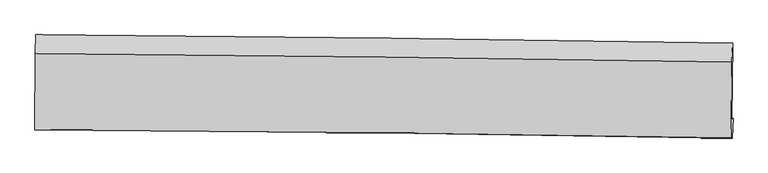
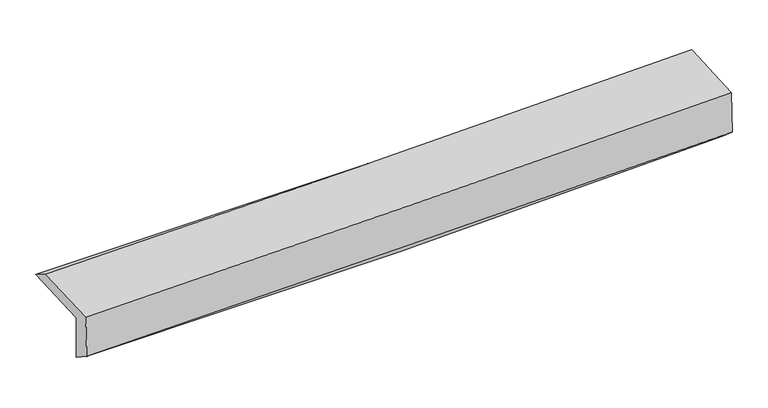
"""IFC4 building model written with IfcOpenShell, lengths in millimetres: proxy geometry."""

from ifc_helpers import new_model, si_unit, frame, origin, place, context, project, spatial, source, transform, mapped, element, save
from ifc_brep_helpers import plane_surface, spline_curve, spline_surface, advanced_brep


def generic_models_634200ba(model_context):
    return source(origin(), model_context, "Body", "AdvancedBrep", [
        advanced_brep(
        [(-2987.4546793, -1761.9837608, 1975.5234175), (-2984.8944018, -1102.371573, 1999.4745884), (2972.0524741, -1172.8809528, 2124.5963504), (2965.5269406, -1832.9282265, 2110.6056696), (-2976.1497854, -1744.9103722, 1570.6177886), (2976.7047654, -1820.8911677, 1708.8921089), (-2980.2086315, -1917.0928043, 1686.7065763), (2971.0403517, -1988.0395703, 1851.1749222), (-2990.899927, -1915.9934233, 2072.676694), (2960.2813639, -1986.9251157, 2242.6693285), (-2988.3636682, -1262.5692388, 2096.4031724), (2966.422557, -1338.1860749, 2266.3267359)],
        [
            (0, 1),
            (1, 2, spline_curve(3, [(-2984.8944018, -1102.371573, 1999.4745884), (-1991.018902069, -1108.24205194, 1991.791127484), (-997.485185167, -1117.056339224, 1998.385358586), (988.163267725, -1140.563823613, 2040.113748655), (1980.278509383, -1155.252663059, 2075.226771758), (2972.0524741, -1172.8809528, 2124.5963504)], [4, 2, 4], [0.0, 9.776653513107394, 19.546067835455627])),
            (2, 3),
            (3, 0, spline_curve(3, [(2965.5269406, -1832.9282265, 2110.6056696), (1974.619632677, -1815.245534799, 2056.21943711), (983.268073155, -1800.493254326, 2017.767732086), (-1001.058474609, -1776.840754402, 1972.716690959), (-1994.034121801, -1767.944880072, 1966.140978536), (-2987.4546793, -1761.9837608, 1975.5234175)], [4, 2, 4], [0.0, 9.769414322348233, 19.546067835455627])),
            (4, 0),
            (3, 5),
            (5, 4, spline_curve(3, [(2976.7047654, -1820.8911677, 1708.8921089), (1985.967361228, -1803.888056791, 1648.347348078), (994.711366006, -1789.056309052, 1606.549429634), (-989.572715132, -1763.726157932, 1560.430195989), (-1982.601570663, -1753.230973893, 1556.136674609), (-2976.1497854, -1744.9103722, 1570.6177886)], [4, 2, 4], [0.0, 9.766766661757249, 19.540770552342323])),
            (6, 4),
            (5, 7),
            (7, 6, spline_curve(3, [(2971.0403517, -1988.0395703, 1851.1749222), (1979.800783193, -1971.129767934, 1815.154133248), (988.427311079, -1956.763883324, 1783.441523285), (-995.3221512, -1933.111189933, 1728.612354478), (-1987.698340582, -1923.828152495, 1705.50218233), (-2980.2086315, -1917.0928043, 1686.7065763)], [4, 2, 4], [0.0, 9.764950504976307, 19.537136892998088])),
            (8, 6),
            (7, 9),
            (9, 8, spline_curve(3, [(2960.2813639, -1986.9251157, 2242.6693285), (1969.094519006, -1970.022329568, 2204.124926858), (977.753055853, -1955.661209512, 2170.690026954), (-1005.973812005, -1932.013543807, 2114.018240166), (-1998.359445601, -1922.730766511, 2090.788928882), (-2990.899927, -1915.9934233, 2072.676694)], [4, 2, 4], [0.0, 9.763589373643137, 19.534413621725804])),
            (10, 8),
            (9, 11),
            (11, 10, spline_curve(3, [(2966.422557, -1338.1860749, 2266.3267359), (1974.516761827, -1322.202248943, 2227.729013495), (982.515501301, -1307.910639712, 2194.273194969), (-1002.413098934, -1282.702518868, 2137.624383661), (-1995.340580261, -1271.788516187, 2114.439014689), (-2988.3636682, -1262.5692388, 2096.4031724)], [4, 2, 4], [0.0, 9.766673493659361, 19.540584147108465])),
            (1, 10),
            (11, 2),
        ],
        [
            spline_surface(3, 3, [[(-2987.4546793, -1761.9837608, 1975.5234175), (-1994.034121937, -1767.944879929, 1966.14097864), (-1001.058474723, -1776.840754496, 1972.71669088), (983.268073269, -1800.493254232, 2017.767732165), (1974.619632712, -1815.245534915, 2056.219437251), (2965.5269406, -1832.9282265, 2110.6056696)], [(-2986.601253472, -1542.113031519, 1983.507141138), (-1993.029048652, -1548.043937258, 1974.691028309), (-999.867378187, -1556.912616051, 1981.272913425), (984.899804701, -1580.516777381, 2025.216404347), (1976.505924899, -1595.247910962, 2062.555215427), (2967.702118449, -1612.912468596, 2115.269229845)], [(-2985.747827628, -1322.242302281, 1991.490864762), (-1992.023975352, -1328.142994629, 1983.241077964), (-998.676281596, -1336.984477605, 1989.829135977), (986.531536187, -1360.540300528, 2032.665076537), (1978.39221704, -1375.25028702, 2068.890993666), (2969.877296251, -1392.896710704, 2119.932790155)], [(-2984.8944018, -1102.371573, 1999.4745884), (-1991.018902067, -1108.242051957, 1991.791127634), (-997.48518506, -1117.056339161, 1998.385358522), (988.163267618, -1140.563823676, 2040.113748719), (1980.278509228, -1155.252663067, 2075.226771842), (2972.0524741, -1172.8809528, 2124.5963504)]], [4, 4], [4, 2, 4], [0.0, 2.1663617716799504], [0.0, 9.776653513107394, 19.546067835455627]),
            spline_surface(3, 3, [[(-2976.1497854, -1744.9103722, 1570.6177886), (-1982.601570621, -1753.230974023, 1556.13667454), (-989.572715272, -1763.72615799, 1560.430196094), (994.711366146, -1789.056308994, 1606.549429529), (1985.967361078, -1803.888056873, 1648.347348054), (2976.7047654, -1820.8911677, 1708.8921089)], [(-2979.918083358, -1750.60150175, 1705.586331557), (-1986.412421051, -1758.135609342, 1692.804775897), (-993.401301746, -1768.097690142, 1697.859027671), (990.896935196, -1792.868624056, 1743.622197055), (1982.184784959, -1807.673882901, 1784.304711119), (2972.978823803, -1824.903520648, 1842.796629134)], [(-2983.686381342, -1756.29263125, 1840.554874543), (-1990.223271507, -1763.040244611, 1829.472877283), (-997.229888248, -1772.469222344, 1835.287859304), (987.082504219, -1796.68093917, 1880.694964638), (1978.402208831, -1811.459708886, 1920.262074185), (2969.252882197, -1828.915873552, 1976.701149366)], [(-2987.4546793, -1761.9837608, 1975.5234175), (-1994.034121937, -1767.944879929, 1966.14097864), (-1001.058474723, -1776.840754496, 1972.71669088), (983.268073269, -1800.493254232, 2017.767732165), (1974.619632712, -1815.245534915, 2056.219437251), (2965.5269406, -1832.9282265, 2110.6056696)]], [4, 4], [4, 2, 4], [0.0, 1.3520185888893321], [0.0, 9.774003890585075, 19.540770552342323]),
            spline_surface(3, 3, [[(-2980.2086315, -1917.0928043, 1686.7065763), (-1987.698340522, -1923.828152399, 1705.502182317), (-995.322151333, -1933.111189858, 1728.612354333), (988.427311212, -1956.763883398, 1783.44152343), (1979.800783093, -1971.129767882, 1815.15413339), (2971.0403517, -1988.0395703, 1851.1749222)], [(-2978.855682792, -1859.698660273, 1648.010313744), (-1985.999417213, -1866.96242628, 1655.713679735), (-993.405672651, -1876.649512588, 1672.551634945), (990.521996185, -1900.861358616, 1724.477492155), (1981.856309091, -1915.382530851, 1759.551871637), (2972.928489603, -1932.323436072, 1803.747317793)], [(-2977.502734108, -1802.304516227, 1609.314051156), (-1984.300493929, -1810.096700142, 1605.925177121), (-991.489193954, -1820.18783526, 1616.490915482), (992.616681173, -1844.958833776, 1665.513460804), (1983.91183508, -1859.635293904, 1703.949609806), (2974.816627497, -1876.607301928, 1756.319713307)], [(-2976.1497854, -1744.9103722, 1570.6177886), (-1982.601570621, -1753.230974023, 1556.13667454), (-989.572715272, -1763.72615799, 1560.430196094), (994.711366146, -1789.056308994, 1606.549429529), (1985.967361078, -1803.888056873, 1648.347348054), (2976.7047654, -1820.8911677, 1708.8921089)]], [4, 4], [4, 2, 4], [0.0, 0.7915750156929786], [0.0, 9.772186388021781, 19.537136892998088]),
            spline_surface(3, 3, [[(-2990.899927, -1915.9934233, 2072.676694), (-1998.359445589, -1922.730766356, 2090.788928839), (-1005.973811945, -1932.013543847, 2114.018240252), (977.753055792, -1955.661209472, 2170.690026868), (1969.094519111, -1970.022329478, 2204.124927011), (2960.2813639, -1986.9251157, 2242.6693285)], [(-2987.336161845, -1916.359883615, 1944.01998808), (-1994.805743912, -1923.096561686, 1962.360013311), (-1002.423258408, -1932.379425831, 1985.549611591), (981.311140932, -1956.028767428, 2041.607192367), (1972.663273757, -1970.391475637, 2074.467995807), (2963.867693152, -1987.296600591, 2112.17119307)], [(-2983.772396655, -1916.726343985, 1815.36328222), (-1991.252042199, -1923.46235707, 1833.931097844), (-998.87270487, -1932.745307874, 1857.080982995), (984.869226072, -1956.396325442, 1912.524357931), (1976.232028447, -1970.760621722, 1944.811064594), (2967.454022448, -1987.668085409, 1981.67305763)], [(-2980.2086315, -1917.0928043, 1686.7065763), (-1987.698340522, -1923.828152399, 1705.502182317), (-995.322151333, -1933.111189858, 1728.612354333), (988.427311212, -1956.763883398, 1783.44152343), (1979.800783093, -1971.129767882, 1815.15413339), (2971.0403517, -1988.0395703, 1851.1749222)]], [4, 4], [4, 2, 4], [0.0, 1.2679632672855023], [0.0, 9.770824248082667, 19.534413621725804]),
            spline_surface(3, 3, [[(-2988.3636682, -1262.5692388, 2096.4031724), (-1995.340580244, -1271.788516046, 2114.439014664), (-1002.413098922, -1282.702518851, 2137.624383814), (982.515501289, -1307.910639728, 2194.273194817), (1974.516761679, -1322.202248895, 2227.729013525), (2966.422557, -1338.1860749, 2266.3267359)], [(-2989.209087806, -1480.37730032, 2088.494346268), (-1996.346868698, -1488.769266169, 2106.555652724), (-1003.600003263, -1499.139527177, 2129.755669313), (980.928019457, -1523.827496304, 2186.412138854), (1972.709347475, -1538.142275731, 2219.860984673), (2964.375492618, -1554.432421808, 2258.44093342)], [(-2990.054507394, -1698.18536178, 2080.585520132), (-1997.353157135, -1705.750016233, 2098.672290779), (-1004.786907604, -1715.57653552, 2121.886954753), (979.340537625, -1739.744352897, 2178.551082831), (1970.901933315, -1754.082302642, 2211.992955863), (2962.328428282, -1770.678768792, 2250.55513098)], [(-2990.899927, -1915.9934233, 2072.676694), (-1998.359445589, -1922.730766356, 2090.788928839), (-1005.973811945, -1932.013543847, 2114.018240252), (977.753055792, -1955.661209472, 2170.690026868), (1969.094519111, -1970.022329478, 2204.124927011), (2960.2813639, -1986.9251157, 2242.6693285)]], [4, 4], [4, 2, 4], [0.0, 2.129179071479051], [0.0, 9.773910653449104, 19.540584147108465]),
            spline_surface(3, 3, [[(-2984.8944018, -1102.371573, 1999.4745884), (-1991.018902067, -1108.242051957, 1991.791127634), (-997.48518506, -1117.056339161, 1998.385358522), (988.163267618, -1140.563823676, 2040.113748719), (1980.278509228, -1155.252663067, 2075.226771842), (2972.0524741, -1172.8809528, 2124.5963504)], [(-2986.050823928, -1155.770794923, 2031.784116412), (-1992.459461454, -1162.757539977, 2032.673756656), (-999.127823, -1172.271732413, 2044.79836695), (986.280678857, -1196.346095716, 2091.50023075), (1978.357926719, -1210.902525027, 2126.060852409), (2970.175835074, -1227.982660184, 2171.839812239)], [(-2987.207246072, -1209.170016877, 2064.093644388), (-1993.900020858, -1217.273028026, 2073.556385641), (-1000.770460983, -1227.487125599, 2091.211375385), (984.398090051, -1252.128367689, 2142.886712786), (1976.437344187, -1266.552386935, 2176.894932958), (2968.299196026, -1283.084367516, 2219.083274061)], [(-2988.3636682, -1262.5692388, 2096.4031724), (-1995.340580244, -1271.788516046, 2114.439014664), (-1002.413098922, -1282.702518851, 2137.624383814), (982.515501289, -1307.910639728, 2194.273194817), (1974.516761679, -1322.202248895, 2227.729013525), (2966.422557, -1338.1860749, 2266.3267359)]], [4, 4], [4, 2, 4], [0.0, 0.728227300046341], [0.0, 9.778044025132495, 19.548847829891574]),
            plane_surface(frame((2968.6714088, -1689.9751847, 2050.7108526), z_axis=(0.9995670296049742, -0.010465081013297786, 0.027499734654608317), x_axis=(0.027471359663203677, -0.0028455823057444065, -0.9996185407742276))),
            plane_surface(frame((-2984.6618489, -1617.4868621, 1900.2337062), z_axis=(-0.9996042645030955, 0.00488586747330331, -0.027702755932566905), x_axis=(-0.003878903547898057, -0.9993338892063514, -0.036286801884074356))),
        ],
        [
            (0, [[1, 2, 3, 4]]),
            (1, [[5, -4, 6, 7]]),
            (2, [[8, -7, 9, 10]]),
            (3, [[11, -10, 12, 13]]),
            (4, [[14, -13, 15, 16]]),
            (5, [[17, -16, 18, -2]]),
            (6, [[-12, -9, -6, -3, -18, -15]]),
            (7, [[-1, -5, -8, -11, -14, -17]]),
        ],
    ),
    ])


if __name__ == "__main__":
    model = new_model("IFC4")
    model_context = context("Model", 3, world=origin())
    ifc_project = project(units=[si_unit("LENGTHUNIT", "METRE", prefix="MILLI")], contexts=[model_context])
    site = spatial("IfcSite", under=ifc_project)
    building = spatial("IfcBuilding", under=site)
    placement = place(None, origin())
    generic_models_shape = generic_models_634200ba(model_context)
    element("IfcBuildingElementProxy", 1, Name="Generic Models", at=placement, inside=building, context=model_context, shape_type="MappedRepresentation", body=[
        mapped(generic_models_shape, transform((0.0, 0.0, 0.0), x_axis=(1.0, 0.0, 0.0), y_axis=(0.0, 1.0, 0.0), z_axis=(0.0, 0.0, 1.0))),
    ])
    save(model, "model.ifc")
